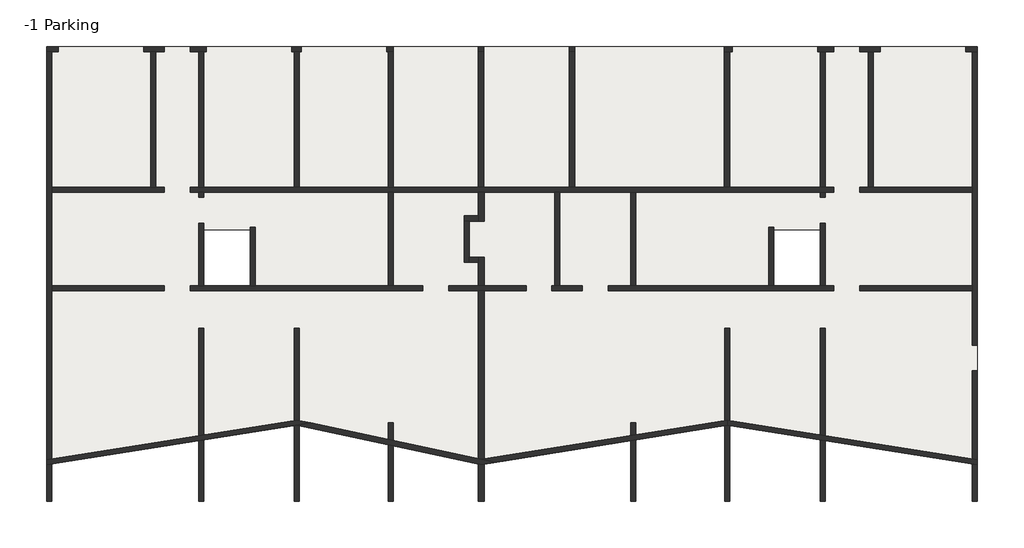
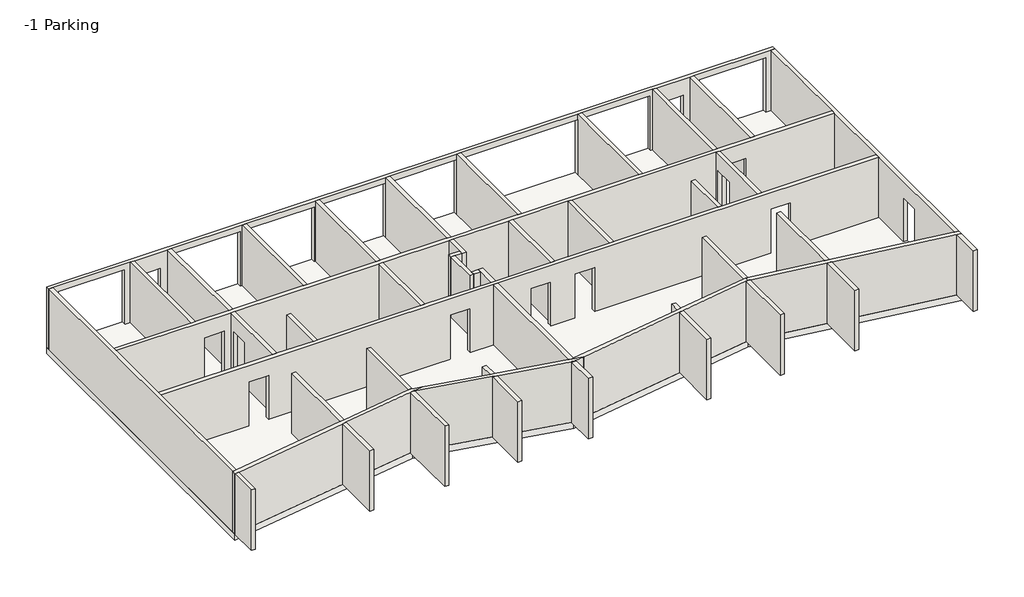
# One storey: 43 walls, 1 slab.
"""IFC4 building model written with IfcOpenShell, lengths in millimetres."""

import ifcopenshell
import ifcopenshell.guid

model = None  # the IFC model being written
_history = None  # IfcOwnerHistory: only IFC2X3 demands one
_inside = {}  # id of a spatial element -> (the spatial element, [elements in it])
_under = {}  # id of a project, library or spatial element -> (it, [spatial elements below it])
_declared = {}  # id of a project -> (the project, [libraries it declares])
_typed = {}  # id of a type object -> (the type object, [elements of that type])
_made_of = {}  # id of a material, layer set ... -> (it, [elements and type objects made of it])


def new_model(schema):
    """Start an empty IFC model of exactly this schema.

    Asked for "IFC4X3", IfcOpenShell would pick the latest addendum, in which some entities
    have other attributes; the version numbers below select the first issue.
    IFC2X3 requires an IfcOwnerHistory on every rooted entity: one is made here for all.
    """
    global model, _history
    if schema == "IFC4X3":
        model = ifcopenshell.file(schema_version=(4, 3, 0, 0))
    else:
        model = ifcopenshell.file(schema=schema)
    _inside.clear()
    _under.clear()
    _declared.clear()
    _typed.clear()
    _made_of.clear()
    _history = None
    if model.schema == "IFC2X3":
        org = make("IfcOrganization", Name="unknown")
        user = make(
            "IfcPersonAndOrganization",
            ThePerson=make("IfcPerson", FamilyName="unknown"),
            TheOrganization=org,
        )
        app = make(
            "IfcApplication",
            ApplicationDeveloper=org,
            Version="unknown",
            ApplicationFullName="unknown",
            ApplicationIdentifier="unknown",
        )
        _history = make(
            "IfcOwnerHistory",
            OwningUser=user,
            OwningApplication=app,
            ChangeAction="ADDED",
            CreationDate=0,
        )
    return model


def make(cls, **values):
    """One entity of the class cls with the attributes given. An attribute that is None is left unset."""
    return model.create_entity(
        cls, **{name: value for name, value in values.items() if value is not None}
    )


def rooted(cls, **values):
    """An entity with a GlobalId (a new one), such as an element, a storey or a relation."""
    return make(cls, GlobalId=ifcopenshell.guid.new(), OwnerHistory=_history, **values)


def si_unit(unit_type, name, prefix=None):
    """IfcSIUnit, for example si_unit("LENGTHUNIT", "METRE", prefix="MILLI")."""
    return make("IfcSIUnit", UnitType=unit_type, Prefix=prefix, Name=name)


def assignment(units):
    """IfcUnitAssignment: the units of a project."""
    return None if units is None else make("IfcUnitAssignment", Units=units)


def point(xyz):
    """IfcCartesianPoint."""
    return None if xyz is None else make("IfcCartesianPoint", Coordinates=xyz)


def direction(xyz):
    """IfcDirection."""
    return None if xyz is None else make("IfcDirection", DirectionRatios=xyz)


def frame(location, z_axis=None, x_axis=None):
    """IfcAxis2Placement3D, a coordinate frame: its origin and axes. An axis left out is left unset."""
    return make(
        "IfcAxis2Placement3D",
        Location=point(location),
        Axis=direction(z_axis),
        RefDirection=direction(x_axis),
    )


def origin():
    """The frame at (0, 0, 0) with its axes left unset."""
    return frame((0.0, 0.0, 0.0))


def place(relative_to, where):
    """IfcLocalPlacement: puts the frame where relative to a parent placement (None: the world)."""
    return make(
        "IfcLocalPlacement", PlacementRelTo=relative_to, RelativePlacement=where
    )


def context(
    kind, dimensions, precision=None, world=None, true_north=None, identifier=None
):
    """IfcGeometricRepresentationContext, for example the 3D "Model" context."""
    return make(
        "IfcGeometricRepresentationContext",
        ContextIdentifier=identifier,
        ContextType=kind,
        CoordinateSpaceDimension=dimensions,
        Precision=precision,
        WorldCoordinateSystem=world,
        TrueNorth=true_north,
    )


def project(units=None, contexts=None):
    """IfcProject with its units and contexts."""
    return rooted(
        "IfcProject",
        Name="project",
        RepresentationContexts=contexts,
        UnitsInContext=assignment(units),
    )


def spatial(cls, under=None, at=None, **own):
    """A site, building, storey or space (cls), placed at a placement, below another one or the project."""
    s = rooted(cls, ObjectPlacement=at, **own)
    if under is not None:
        _under.setdefault(under.id(), (under, []))[1].append(s)
    return s


def polyline(points):
    """IfcPolyline through the points."""
    return make("IfcPolyline", Points=[point(p) for p in points])


def outline(outer, holes=None, kind="AREA"):
    """IfcArbitraryClosedProfileDef: a profile drawn as a closed curve; with holes, ...WithVoids."""
    if holes is None:
        return make("IfcArbitraryClosedProfileDef", ProfileType=kind, OuterCurve=outer)
    return make(
        "IfcArbitraryProfileDefWithVoids",
        ProfileType=kind,
        OuterCurve=outer,
        InnerCurves=holes,
    )


def extrude(swept, where, along, depth):
    """IfcExtrudedAreaSolid: the profile swept, set in the frame where, extruded along a direction by depth."""
    return make(
        "IfcExtrudedAreaSolid",
        SweptArea=swept,
        Position=where,
        ExtrudedDirection=direction(along),
        Depth=depth,
    )


def faces_of(points, faces, orient=None, outer=None):
    """IfcFace entities. A face is a list of loops; a loop is a list of indices into points, from 0.

    orient and outer hold one flag for each loop. By default every Orientation is true, the
    first loop of a face is its IfcFaceOuterBound and the others are IfcFaceBound.
    """
    made = []
    for i, loops in enumerate(faces):
        bounds = []
        for j, loop in enumerate(loops):
            is_outer = j == 0 if outer is None else outer[i][j]
            bounds.append(
                make(
                    "IfcFaceOuterBound" if is_outer else "IfcFaceBound",
                    Bound=make("IfcPolyLoop", Polygon=[points[k] for k in loop]),
                    Orientation=True if orient is None else orient[i][j],
                )
            )
        made.append(make("IfcFace", Bounds=bounds))
    return made


def faceted_brep(points, faces, orient=None, outer=None, voids=None):
    """IfcFacetedBrep: a solid bounded by flat faces; with voids (closed shells), ...WithVoids."""
    shared = [point(p) for p in points]
    hull = make("IfcClosedShell", CfsFaces=faces_of(shared, faces, orient, outer))
    if voids is None:
        return make("IfcFacetedBrep", Outer=hull)
    return make(
        "IfcFacetedBrepWithVoids",
        Outer=hull,
        Voids=[
            make(cls, CfsFaces=faces_of(shared, fs, o, b)) for cls, fs, o, b in voids
        ],
    )


def shape(context_of_items, identifier, shape_type, items):
    """IfcShapeRepresentation: the items that make up one representation, for example the "Body"."""
    return make(
        "IfcShapeRepresentation",
        ContextOfItems=context_of_items,
        RepresentationIdentifier=identifier,
        RepresentationType=shape_type,
        Items=items,
    )


def made_of(thing, what):
    """Note that an element or type object is made of a material, layer set ...; save() writes the relation."""
    if what is not None:
        _made_of.setdefault(what.id(), (what, []))[1].append(thing)
    return thing


def element(
    cls,
    number,
    at=None,
    inside=None,
    cuts=None,
    type_object=None,
    material=None,
    context=None,
    identifier="Body",
    shape_type=None,
    held_by="IfcProductDefinitionShape",
    body=None,
    shapes=None,
    **own,
):
    """One element of the class cls, such as IfcWall. Its Tag is "e" and its number.

    at: its placement. inside: the storey or other place that contains it. cuts: it is an
    opening in that element (IfcRelVoidsElement). A single representation is given by context,
    identifier, shape_type and body (its items); several are given by shapes. held_by: the class
    of the entity that holds the representations. save() writes the other relations.
    """
    e = rooted(cls, Tag="e%d" % number, ObjectPlacement=at, **own)
    if body is not None:
        shapes = [shape(context, identifier, shape_type, body)]
    if shapes is not None:
        e.Representation = make(held_by, Representations=shapes)
    if inside is not None:
        _inside.setdefault(inside.id(), (inside, []))[1].append(e)
    if cuts is not None:
        rooted(
            "IfcRelVoidsElement", RelatingBuildingElement=cuts, RelatedOpeningElement=e
        )
    if type_object is not None:
        _typed.setdefault(type_object.id(), (type_object, []))[1].append(e)
    return made_of(e, material)


def aggregate(whole, parts):
    """IfcRelAggregates: a whole, such as a stair, and the parts it consists of."""
    return rooted("IfcRelAggregates", RelatingObject=whole, RelatedObjects=parts)


def save(model, path):
    """Write the relations noted so far, then the file.

    IfcRelAggregates (storeys below a building ...), IfcRelContainedInSpatialStructure (elements
    in a storey), IfcRelDefinesByType, IfcRelAssociatesMaterial and IfcRelDeclares: one each for
    every whole, place, type object, material and project.
    """
    for whole, parts in _under.values():
        aggregate(whole, parts)
    for where, things in _inside.values():
        rooted(
            "IfcRelContainedInSpatialStructure",
            RelatedElements=things,
            RelatingStructure=where,
        )
    for kind, things in _typed.values():
        rooted("IfcRelDefinesByType", RelatedObjects=things, RelatingType=kind)
    for what, things in _made_of.values():
        rooted("IfcRelAssociatesMaterial", RelatedObjects=things, RelatingMaterial=what)
    for by, libraries in _declared.values():
        rooted("IfcRelDeclares", RelatingContext=by, RelatedDefinitions=libraries)
    model.write(path)


model = new_model("IFC4")

# Units and contexts
model_context = context("Model", 3, world=origin())
ifc_project = project(units=[si_unit("LENGTHUNIT", "METRE", prefix="MILLI")], contexts=[model_context])

# Site, building, storey
site = spatial("IfcSite", under=ifc_project)
building = spatial("IfcBuilding", under=site)
storey = spatial("IfcBuildingStorey", under=building, Name="-1 Parking", Elevation=-3090.0)

# Slab
placement = place(None, origin())
element("IfcSlab", 1, ObjectType="Radier 300 mm", at=placement, inside=storey, context=model_context, shape_type="SweptSolid", body=[
    extrude(outline(polyline([(12589.8223249, -3964.4834406), (12589.8223249, -18617.40208), (3824.8223249, -17225.6110137), (-4790.1776751, -18603.1110137), (-11245.1776751, -17225.6110137), (-20010.1776751, -18617.40208), (-20010.1776751, -3964.4834406), (12589.8223249, -3964.4834406)]), holes=[polyline([(-12895.1776751, -10389.4834406), (-14495.1776751, -10389.4834406), (-14495.1776751, -12334.4834406), (-12895.1776751, -12334.4834406), (-12895.1776751, -10389.4834406)]), polyline([(7074.8223249, -12334.4834406), (7074.8223249, -10389.4834406), (5474.8223249, -10389.4834406), (5474.8223249, -12334.4834406), (7074.8223249, -12334.4834406)])]), frame((0.0, 0.0, -3390.0), z_axis=(0.0, 0.0, 1.0), x_axis=(1.0, 0.0, 0.0)), (0.0, 0.0, 1.0), 300.0),
])

# Walls
element("IfcWall", 2, at=placement, inside=storey, context=model_context, shape_type="Brep", body=[
    faceted_brep([(3729.8223249, -4144.4834406, -490.0), (3729.8223249, -4144.4834406, -3090.0), (3909.8223249, -4144.4834406, -3090.0), (3999.8223249, -4144.4834406, -3090.0), (3999.8223249, -4144.4834406, -490.0), (6994.8223249, -4144.4834406, -490.0), (6994.8223249, -4144.4834406, -3090.0), (7084.8223249, -4144.4834406, -3090.0), (7264.8223249, -4144.4834406, -3090.0), (7564.8223249, -4144.4834406, -3090.0), (7564.8223249, -4144.4834406, -990.0), (8464.8223249, -4144.4834406, -990.0), (8464.8223249, -4144.4834406, -3090.0), (8764.8223249, -4144.4834406, -3090.0), (8944.8223249, -4144.4834406, -3090.0), (9179.8223249, -4144.4834406, -3090.0), (9179.8223249, -4144.4834406, -490.0), (12174.8223249, -4144.4834406, -490.0), (12174.8223249, -4144.4834406, -3090.0), (12409.8223249, -4144.4834406, -3090.0), (12589.8223249, -4144.4834406, -3090.0), (12589.8223249, -4144.4834406, -220.0), (12409.8223249, -4144.4834406, -220.0), (8944.8223249, -4144.4834406, -220.0), (8764.8223249, -4144.4834406, -220.0), (7264.8223249, -4144.4834406, -220.0), (7084.8223249, -4144.4834406, -220.0), (3909.8223249, -4144.4834406, -220.0), (3729.8223249, -4144.4834406, -220.0), (-1520.1776751, -4144.4834406, -220.0), (-1700.1776751, -4144.4834406, -220.0), (-4695.1776751, -4144.4834406, -220.0), (-4885.1776751, -4144.4834406, -220.0), (-7865.1776751, -4144.4834406, -220.0), (-8045.1776751, -4144.4834406, -220.0), (-11155.1776751, -4144.4834406, -220.0), (-11335.1776751, -4144.4834406, -220.0), (-14505.1776751, -4144.4834406, -220.0), (-14685.1776751, -4144.4834406, -220.0), (-16185.1776751, -4144.4834406, -220.0), (-16365.1776751, -4144.4834406, -220.0), (-19830.1776751, -4144.4834406, -220.0), (-20010.1776751, -4144.4834406, -220.0), (-20010.1776751, -4144.4834406, -3090.0), (-19830.1776751, -4144.4834406, -3090.0), (-19595.1776751, -4144.4834406, -3090.0), (-19595.1776751, -4144.4834406, -490.0), (-16600.1776751, -4144.4834406, -490.0), (-16600.1776751, -4144.4834406, -3090.0), (-16365.1776751, -4144.4834406, -3090.0), (-16185.1776751, -4144.4834406, -3090.0), (-15885.1776751, -4144.4834406, -3090.0), (-15885.1776751, -4144.4834406, -990.0), (-14985.1776751, -4144.4834406, -990.0), (-14985.1776751, -4144.4834406, -3090.0), (-14685.1776751, -4144.4834406, -3090.0), (-14505.1776751, -4144.4834406, -3090.0), (-14417.6776751, -4144.4834406, -3090.0), (-14417.6776751, -4144.4834406, -490.0), (-11422.6776751, -4144.4834406, -490.0), (-11422.6776751, -4144.4834406, -3090.0), (-11335.1776751, -4144.4834406, -3090.0), (-11155.1776751, -4144.4834406, -3090.0), (-11097.6776751, -4144.4834406, -3090.0), (-11097.6776751, -4144.4834406, -490.0), (-8102.6776751, -4144.4834406, -490.0), (-8102.6776751, -4144.4834406, -3090.0), (-8045.1776751, -4144.4834406, -3090.0), (-7865.1776751, -4144.4834406, -3090.0), (-7865.1776751, -4144.4834406, -490.0), (-4885.1776751, -4144.4834406, -490.0), (-4885.1776751, -4144.4834406, -3090.0), (-4695.1776751, -4144.4834406, -3090.0), (-4695.1776751, -4144.4834406, -490.0), (-1700.1776751, -4144.4834406, -490.0), (-1700.1776751, -4144.4834406, -3090.0), (-1520.1776751, -4144.4834406, -3090.0), (-1520.1776751, -4144.4834406, -490.0), (3999.8223249, -3964.4834406, -3090.0), (3729.8223249, -3964.4834406, -3090.0), (3729.8223249, -3964.4834406, -490.0), (-1520.1776751, -3964.4834406, -490.0), (-1520.1776751, -3964.4834406, -3090.0), (-1700.1776751, -3964.4834406, -3090.0), (-1700.1776751, -3964.4834406, -490.0), (-4695.1776751, -3964.4834406, -490.0), (-4695.1776751, -3964.4834406, -3090.0), (-4885.1776751, -3964.4834406, -3090.0), (-4885.1776751, -3964.4834406, -490.0), (-7865.1776751, -3964.4834406, -490.0), (-7865.1776751, -3964.4834406, -3090.0), (-8102.6776751, -3964.4834406, -3090.0), (-8102.6776751, -3964.4834406, -490.0), (-11097.6776751, -3964.4834406, -490.0), (-11097.6776751, -3964.4834406, -3090.0), (-11422.6776751, -3964.4834406, -3090.0), (-11422.6776751, -3964.4834406, -490.0), (-14417.6776751, -3964.4834406, -490.0), (-14417.6776751, -3964.4834406, -3090.0), (-14985.1776751, -3964.4834406, -3090.0), (-14985.1776751, -3964.4834406, -990.0), (-15885.1776751, -3964.4834406, -990.0), (-15885.1776751, -3964.4834406, -3090.0), (-16600.1776751, -3964.4834406, -3090.0), (-16600.1776751, -3964.4834406, -490.0), (-19595.1776751, -3964.4834406, -490.0), (-19595.1776751, -3964.4834406, -3090.0), (-20010.1776751, -3964.4834406, -3090.0), (-20010.1776751, -3964.4834406, -220.0), (12589.8223249, -3964.4834406, -220.0), (12589.8223249, -3964.4834406, -3090.0), (12174.8223249, -3964.4834406, -3090.0), (12174.8223249, -3964.4834406, -490.0), (9179.8223249, -3964.4834406, -490.0), (9179.8223249, -3964.4834406, -3090.0), (8464.8223249, -3964.4834406, -3090.0), (8464.8223249, -3964.4834406, -990.0), (7564.8223249, -3964.4834406, -990.0), (7564.8223249, -3964.4834406, -3090.0), (6994.8223249, -3964.4834406, -3090.0), (6994.8223249, -3964.4834406, -490.0), (3999.8223249, -3964.4834406, -490.0)], [[[0, 1, 2, 3, 4, 5, 6, 7, 8, 9, 10, 11, 12, 13, 14, 15, 16, 17, 18, 19, 20, 21, 22, 23, 24, 25, 26, 27, 28, 29, 30, 31, 32, 33, 34, 35, 36, 37, 38, 39, 40, 41, 42, 43, 44, 45, 46, 47, 48, 49, 50, 51, 52, 53, 54, 55, 56, 57, 58, 59, 60, 61, 62, 63, 64, 65, 66, 67, 68, 69, 70, 71, 72, 73, 74, 75, 76, 77]], [[78, 79, 80, 81, 82, 83, 84, 85, 86, 87, 88, 89, 90, 91, 92, 93, 94, 95, 96, 97, 98, 99, 100, 101, 102, 103, 104, 105, 106, 107, 108, 109, 110, 111, 112, 113, 114, 115, 116, 117, 118, 119, 120, 121]], [[111, 110, 20, 19, 18]], [[115, 114, 15, 14, 13, 12]], [[119, 118, 9, 8, 7, 6]], [[87, 86, 72, 71]], [[91, 90, 68, 67, 66]], [[95, 94, 63, 62, 61, 60]], [[99, 98, 57, 56, 55, 54]], [[103, 102, 51, 50, 49, 48]], [[107, 106, 45, 44, 43]], [[3, 2, 1, 79, 78]], [[76, 75, 83, 82]], [[43, 42, 108, 107]], [[21, 20, 110, 109]], [[42, 41, 40, 39, 38, 37, 36, 35, 34, 33, 32, 31, 30, 29, 28, 27, 26, 25, 24, 23, 22, 21, 109, 108]], [[54, 53, 100, 99]], [[52, 51, 102, 101]], [[53, 52, 101, 100]], [[12, 11, 116, 115]], [[10, 9, 118, 117]], [[11, 10, 117, 116]], [[18, 17, 112, 111]], [[16, 15, 114, 113]], [[17, 16, 113, 112]], [[6, 5, 120, 119]], [[4, 3, 78, 121]], [[5, 4, 121, 120]], [[75, 74, 84, 83]], [[73, 72, 86, 85]], [[74, 73, 85, 84]], [[71, 70, 88, 87]], [[69, 68, 90, 89]], [[70, 69, 89, 88]], [[66, 65, 92, 91]], [[64, 63, 94, 93]], [[65, 64, 93, 92]], [[60, 59, 96, 95]], [[58, 57, 98, 97]], [[59, 58, 97, 96]], [[48, 47, 104, 103]], [[46, 45, 106, 105]], [[47, 46, 105, 104]], [[82, 81, 77, 76]], [[80, 79, 1, 0]], [[81, 80, 0, 77]]]),
])
element("IfcWall", 3, at=placement, inside=storey, context=model_context, shape_type="Brep", body=[
    faceted_brep([(8464.8223249, -9074.4834406, -990.0), (8464.8223249, -9074.4834406, -3090.0), (12409.8223249, -9074.4834406, -3090.0), (12409.8223249, -9074.4834406, -220.0), (7264.8223249, -9074.4834406, -220.0), (7084.8223249, -9074.4834406, -220.0), (624.8223249, -9074.4834406, -220.0), (444.8223249, -9074.4834406, -220.0), (-2032.6776751, -9074.4834406, -220.0), (-2212.6776751, -9074.4834406, -220.0), (-4690.1776751, -9074.4834406, -220.0), (-4890.1776751, -9074.4834406, -220.0), (-7865.1776751, -9074.4834406, -220.0), (-8045.1776751, -9074.4834406, -220.0), (-14505.1776751, -9074.4834406, -220.0), (-14685.1776751, -9074.4834406, -220.0), (-19830.1776751, -9074.4834406, -220.0), (-19830.1776751, -9074.4834406, -3090.0), (-15885.1776751, -9074.4834406, -3090.0), (-15885.1776751, -9074.4834406, -990.0), (-14985.1776751, -9074.4834406, -990.0), (-14985.1776751, -9074.4834406, -3090.0), (-14685.1776751, -9074.4834406, -3090.0), (-14505.1776751, -9074.4834406, -3090.0), (-8045.1776751, -9074.4834406, -3090.0), (-7865.1776751, -9074.4834406, -3090.0), (-4890.1776751, -9074.4834406, -3090.0), (-4690.1776751, -9074.4834406, -3090.0), (-2212.6776751, -9074.4834406, -3090.0), (-2032.6776751, -9074.4834406, -3090.0), (444.8223249, -9074.4834406, -3090.0), (624.8223249, -9074.4834406, -3090.0), (7084.8223249, -9074.4834406, -3090.0), (7264.8223249, -9074.4834406, -3090.0), (7564.8223249, -9074.4834406, -3090.0), (7564.8223249, -9074.4834406, -990.0), (12409.8223249, -8894.4834406, -3090.0), (8944.8223249, -8894.4834406, -3090.0), (8764.8223249, -8894.4834406, -3090.0), (8464.8223249, -8894.4834406, -3090.0), (8464.8223249, -8894.4834406, -990.0), (7564.8223249, -8894.4834406, -990.0), (7564.8223249, -8894.4834406, -3090.0), (7264.8223249, -8894.4834406, -3090.0), (7084.8223249, -8894.4834406, -3090.0), (3909.8223249, -8894.4834406, -3090.0), (3729.8223249, -8894.4834406, -3090.0), (-1520.1776751, -8894.4834406, -3090.0), (-1700.1776751, -8894.4834406, -3090.0), (-4695.1776751, -8894.4834406, -3090.0), (-4885.1776751, -8894.4834406, -3090.0), (-7865.1776751, -8894.4834406, -3090.0), (-8045.1776751, -8894.4834406, -3090.0), (-11155.1776751, -8894.4834406, -3090.0), (-11335.1776751, -8894.4834406, -3090.0), (-14505.1776751, -8894.4834406, -3090.0), (-14685.1776751, -8894.4834406, -3090.0), (-14985.1776751, -8894.4834406, -3090.0), (-14985.1776751, -8894.4834406, -990.0), (-15885.1776751, -8894.4834406, -990.0), (-15885.1776751, -8894.4834406, -3090.0), (-16185.1776751, -8894.4834406, -3090.0), (-16365.1776751, -8894.4834406, -3090.0), (-19830.1776751, -8894.4834406, -3090.0), (-19830.1776751, -8894.4834406, -220.0), (-16365.1776751, -8894.4834406, -220.0), (-16185.1776751, -8894.4834406, -220.0), (-14685.1776751, -8894.4834406, -220.0), (-14505.1776751, -8894.4834406, -220.0), (-11335.1776751, -8894.4834406, -220.0), (-11155.1776751, -8894.4834406, -220.0), (-8045.1776751, -8894.4834406, -220.0), (-7865.1776751, -8894.4834406, -220.0), (-4885.1776751, -8894.4834406, -220.0), (-4695.1776751, -8894.4834406, -220.0), (-1700.1776751, -8894.4834406, -220.0), (-1520.1776751, -8894.4834406, -220.0), (3729.8223249, -8894.4834406, -220.0), (3909.8223249, -8894.4834406, -220.0), (7084.8223249, -8894.4834406, -220.0), (7264.8223249, -8894.4834406, -220.0), (8764.8223249, -8894.4834406, -220.0), (8944.8223249, -8894.4834406, -220.0), (12409.8223249, -8894.4834406, -220.0)], [[[0, 1, 2, 3, 4, 5, 6, 7, 8, 9, 10, 11, 12, 13, 14, 15, 16, 17, 18, 19, 20, 21, 22, 23, 24, 25, 26, 27, 28, 29, 30, 31, 32, 33, 34, 35]], [[36, 37, 38, 39, 40, 41, 42, 43, 44, 45, 46, 47, 48, 49, 50, 51, 52, 53, 54, 55, 56, 57, 58, 59, 60, 61, 62, 63, 64, 65, 66, 67, 68, 69, 70, 71, 72, 73, 74, 75, 76, 77, 78, 79, 80, 81, 82, 83]], [[18, 17, 63, 62, 61, 60]], [[2, 1, 39, 38, 37, 36]], [[34, 33, 32, 31, 30, 29, 28, 27, 26, 25, 24, 23, 22, 21, 57, 56, 55, 54, 53, 52, 51, 50, 49, 48, 47, 46, 45, 44, 43, 42]], [[17, 16, 64, 63]], [[3, 2, 36, 83]], [[16, 15, 14, 13, 12, 11, 10, 9, 8, 7, 6, 5, 4, 3, 83, 82, 81, 80, 79, 78, 77, 76, 75, 74, 73, 72, 71, 70, 69, 68, 67, 66, 65, 64]], [[60, 59, 19, 18]], [[58, 57, 21, 20]], [[59, 58, 20, 19]], [[42, 41, 35, 34]], [[40, 39, 1, 0]], [[41, 40, 0, 35]]]),
])
element("IfcWall", 4, at=placement, inside=storey, context=model_context, shape_type="Brep", body=[
    faceted_brep([(7564.8223249, -12344.4834406, -3090.0), (7264.8223249, -12344.4834406, -3090.0), (7084.8223249, -12344.4834406, -3090.0), (5464.8223249, -12344.4834406, -3090.0), (5284.8223249, -12344.4834406, -3090.0), (624.8223249, -12344.4834406, -3090.0), (444.8223249, -12344.4834406, -3090.0), (-343.9276751, -12344.4834406, -3090.0), (-343.9276751, -12344.4834406, -990.0), (-1243.9276751, -12344.4834406, -990.0), (-1243.9276751, -12344.4834406, -3090.0), (-2032.6776751, -12344.4834406, -3090.0), (-2212.6776751, -12344.4834406, -3090.0), (-2312.6776751, -12344.4834406, -3090.0), (-2312.6776751, -12344.4834406, -990.0), (-3212.6776751, -12344.4834406, -990.0), (-3212.6776751, -12344.4834406, -3090.0), (-4690.1776751, -12344.4834406, -3090.0), (-4890.1776751, -12344.4834406, -3090.0), (-5927.6776751, -12344.4834406, -3090.0), (-5927.6776751, -12344.4834406, -990.0), (-6827.6776751, -12344.4834406, -990.0), (-6827.6776751, -12344.4834406, -3090.0), (-7865.1776751, -12344.4834406, -3090.0), (-8045.1776751, -12344.4834406, -3090.0), (-12705.1776751, -12344.4834406, -3090.0), (-12885.1776751, -12344.4834406, -3090.0), (-14505.1776751, -12344.4834406, -3090.0), (-14685.1776751, -12344.4834406, -3090.0), (-14985.1776751, -12344.4834406, -3090.0), (-14985.1776751, -12344.4834406, -990.0), (-15885.1776751, -12344.4834406, -990.0), (-15885.1776751, -12344.4834406, -3090.0), (-19830.1776751, -12344.4834406, -3090.0), (-19830.1776751, -12344.4834406, -220.0), (-14685.1776751, -12344.4834406, -220.0), (-14505.1776751, -12344.4834406, -220.0), (-12885.1776751, -12344.4834406, -220.0), (-12705.1776751, -12344.4834406, -220.0), (-8045.1776751, -12344.4834406, -220.0), (-7865.1776751, -12344.4834406, -220.0), (-4890.1776751, -12344.4834406, -220.0), (-4690.1776751, -12344.4834406, -220.0), (-2212.6776751, -12344.4834406, -220.0), (-2032.6776751, -12344.4834406, -220.0), (444.8223249, -12344.4834406, -220.0), (624.8223249, -12344.4834406, -220.0), (5284.8223249, -12344.4834406, -220.0), (5464.8223249, -12344.4834406, -220.0), (7084.8223249, -12344.4834406, -220.0), (7264.8223249, -12344.4834406, -220.0), (12409.8223249, -12344.4834406, -220.0), (12409.8223249, -12344.4834406, -3090.0), (8464.8223249, -12344.4834406, -3090.0), (8464.8223249, -12344.4834406, -990.0), (7564.8223249, -12344.4834406, -990.0), (-343.9276751, -12524.4834406, -990.0), (-343.9276751, -12524.4834406, -3090.0), (7564.8223249, -12524.4834406, -3090.0), (7564.8223249, -12524.4834406, -990.0), (8464.8223249, -12524.4834406, -990.0), (8464.8223249, -12524.4834406, -3090.0), (12409.8223249, -12524.4834406, -3090.0), (12409.8223249, -12524.4834406, -220.0), (-4690.1776751, -12524.4834406, -220.0), (-4890.1776751, -12524.4834406, -220.0), (-19830.1776751, -12524.4834406, -220.0), (-19830.1776751, -12524.4834406, -3090.0), (-15885.1776751, -12524.4834406, -3090.0), (-15885.1776751, -12524.4834406, -990.0), (-14985.1776751, -12524.4834406, -990.0), (-14985.1776751, -12524.4834406, -3090.0), (-6827.6776751, -12524.4834406, -3090.0), (-6827.6776751, -12524.4834406, -990.0), (-5927.6776751, -12524.4834406, -990.0), (-5927.6776751, -12524.4834406, -3090.0), (-4890.1776751, -12524.4834406, -3090.0), (-4690.1776751, -12524.4834406, -3090.0), (-3212.6776751, -12524.4834406, -3090.0), (-3212.6776751, -12524.4834406, -990.0), (-2312.6776751, -12524.4834406, -990.0), (-2312.6776751, -12524.4834406, -3090.0), (-1243.9276751, -12524.4834406, -3090.0), (-1243.9276751, -12524.4834406, -990.0)], [[[0, 1, 2, 3, 4, 5, 6, 7, 8, 9, 10, 11, 12, 13, 14, 15, 16, 17, 18, 19, 20, 21, 22, 23, 24, 25, 26, 27, 28, 29, 30, 31, 32, 33, 34, 35, 36, 37, 38, 39, 40, 41, 42, 43, 44, 45, 46, 47, 48, 49, 50, 51, 52, 53, 54, 55]], [[56, 57, 58, 59, 60, 61, 62, 63, 64, 65, 66, 67, 68, 69, 70, 71, 72, 73, 74, 75, 76, 77, 78, 79, 80, 81, 82, 83]], [[53, 52, 62, 61]], [[68, 67, 33, 32]], [[19, 18, 17, 16, 78, 77, 76, 75]], [[29, 28, 27, 26, 25, 24, 23, 22, 72, 71]], [[82, 81, 13, 12, 11, 10]], [[58, 57, 7, 6, 5, 4, 3, 2, 1, 0]], [[34, 33, 67, 66]], [[52, 51, 63, 62]], [[51, 50, 49, 48, 47, 46, 45, 44, 43, 42, 41, 40, 39, 38, 37, 36, 35, 34, 66, 65, 64, 63]], [[61, 60, 54, 53]], [[59, 58, 0, 55]], [[60, 59, 55, 54]], [[32, 31, 69, 68]], [[30, 29, 71, 70]], [[31, 30, 70, 69]], [[16, 15, 79, 78]], [[14, 13, 81, 80]], [[15, 14, 80, 79]], [[75, 74, 20, 19]], [[73, 72, 22, 21]], [[74, 73, 21, 20]], [[10, 9, 83, 82]], [[8, 7, 57, 56]], [[9, 8, 56, 83]]]),
])
element("IfcWall", 5, at=placement, inside=storey, context=model_context, shape_type="Brep", body=[
    faceted_brep([(-20010.1776751, -4144.4834406, -3090.0), (-20010.1776751, -18435.1469338, -3090.0), (-20010.1776751, -18435.1469338, -220.0), (-20010.1776751, -4144.4834406, -220.0), (-19830.1776751, -4144.4834406, -3090.0), (-19830.1776751, -4144.4834406, -220.0), (-19830.1776751, -8894.4834406, -220.0), (-19830.1776751, -9074.4834406, -220.0), (-19830.1776751, -12344.4834406, -220.0), (-19830.1776751, -12524.4834406, -220.0), (-19830.1776751, -18406.5648012, -220.0), (-19830.1776751, -18406.5648012, -3090.0), (-19830.1776751, -12524.4834406, -3090.0), (-19830.1776751, -12344.4834406, -3090.0), (-19830.1776751, -9074.4834406, -3090.0), (-19830.1776751, -8894.4834406, -3090.0)], [[[0, 1, 2, 3]], [[4, 5, 6, 7, 8, 9, 10, 11, 12, 13, 14, 15]], [[1, 0, 4, 15, 14, 13, 12, 11]], [[0, 3, 5, 4]], [[3, 2, 10, 9, 8, 7, 6, 5]], [[2, 1, 11, 10]]]),
])
element("IfcWall", 6, at=placement, inside=storey, context=model_context, shape_type="Brep", body=[
    faceted_brep([(-20010.1776751, -18617.40208, -3090.0), (-19830.1776751, -18588.8199474, -3090.0), (-14685.1776751, -17771.8473249, -3090.0), (-14505.1776751, -17743.2651923, -3090.0), (-11335.1776751, -17239.90208, -3090.0), (-11247.5928432, -17225.9945173, -3090.0), (-10753.079544, -17147.4709358, -3090.0), (-10753.079544, -17147.4709358, -220.0), (-11247.5928432, -17225.9945173, -220.0), (-11335.1776751, -17239.90208, -220.0), (-14505.1776751, -17743.2651923, -220.0), (-14685.1776751, -17771.8473249, -220.0), (-19830.1776751, -18588.8199474, -220.0), (-20010.1776751, -18617.40208, -220.0), (-20010.1776751, -18435.1469338, -3090.0), (-20010.1776751, -18435.1469338, -220.0), (-19830.1776751, -18406.5648012, -220.0), (-14685.1776751, -17589.5921788, -220.0), (-14505.1776751, -17561.0100462, -220.0), (-11335.1776751, -17057.6469338, -220.0), (-11242.7625071, -17042.9723639, -220.0), (-11242.7625071, -17042.9723639, -3090.0), (-11335.1776751, -17057.6469338, -3090.0), (-14505.1776751, -17561.0100462, -3090.0), (-14685.1776751, -17589.5921788, -3090.0), (-19830.1776751, -18406.5648012, -3090.0), (-11155.1776751, -17061.6630077, -3090.0), (-11155.1776751, -17061.6630077, -220.0)], [[[0, 1, 2, 3, 4, 5, 6, 7, 8, 9, 10, 11, 12, 13]], [[14, 15, 16, 17, 18, 19, 20, 21, 22, 23, 24, 25]], [[6, 5, 4, 3, 2, 1, 0, 14, 25, 24, 23, 22, 21, 26]], [[7, 6, 26, 21, 20, 27]], [[13, 12, 11, 10, 9, 8, 7, 27, 20, 19, 18, 17, 16, 15]], [[0, 13, 15, 14]]]),
])
element("IfcWall", 7, at=placement, inside=storey, context=model_context, shape_type="Brep", body=[
    faceted_brep([(-11247.5928432, -17225.9945173, -3090.0), (-11155.1776751, -17245.7159571, -3090.0), (-8045.1776751, -17909.3914025, -3090.0), (-7865.1776751, -17947.8034862, -3090.0), (-4890.1776751, -18582.6698688, -3090.0), (-4792.5437321, -18603.5049976, -3090.0), (-4792.5437321, -18603.5049976, -220.0), (-4890.1776751, -18582.6698688, -220.0), (-7865.1776751, -17947.8034862, -220.0), (-8045.1776751, -17909.3914025, -220.0), (-11155.1776751, -17245.7159571, -220.0), (-11247.5928432, -17225.9945173, -220.0), (-10753.079544, -17147.4709358, -3090.0), (-10753.079544, -17147.4709358, -220.0), (-8045.1776751, -17725.3384531, -220.0), (-7865.1776751, -17763.7505368, -220.0), (-4890.1776751, -18398.6169194, -220.0), (-4787.8116182, -18420.4618836, -220.0), (-4299.4954502, -18524.6687808, -220.0), (-4299.4954502, -18524.6687808, -3090.0), (-4787.8116182, -18420.4618836, -3090.0), (-4890.1776751, -18398.6169194, -3090.0), (-7865.1776751, -17763.7505368, -3090.0), (-8045.1776751, -17725.3384531, -3090.0), (-4690.1776751, -18587.1371226, -3090.0), (-4690.1776751, -18587.1371226, -220.0)], [[[0, 1, 2, 3, 4, 5, 6, 7, 8, 9, 10, 11]], [[12, 13, 14, 15, 16, 17, 18, 19, 20, 21, 22, 23]], [[5, 4, 3, 2, 1, 0, 12, 23, 22, 21, 20, 19, 24]], [[0, 11, 13, 12]], [[6, 5, 24, 19, 18, 25]], [[11, 10, 9, 8, 7, 6, 25, 18, 17, 16, 15, 14, 13]]]),
])
element("IfcWall", 8, at=placement, inside=storey, context=model_context, shape_type="Brep", body=[
    faceted_brep([(-4299.4954502, -18524.6687808, -3090.0), (444.8223249, -17766.0735706, -3090.0), (624.8223249, -17737.2923751, -3090.0), (3734.8223249, -17240.0172735, -3090.0), (3824.8714706, -17225.6188175, -3090.0), (3824.8714706, -17225.6188175, -220.0), (3734.8223249, -17240.0172735, -220.0), (624.8223249, -17737.2923751, -220.0), (444.8223249, -17766.0735706, -220.0), (-4299.4954502, -18524.6687808, -220.0), (-4787.8116182, -18420.4618836, -3090.0), (-4787.8116182, -18420.4618836, -220.0), (-4690.1776751, -18404.8506524, -220.0), (444.8223249, -17583.7871004, -220.0), (624.8223249, -17555.0059049, -220.0), (3734.8223249, -17057.7308033, -220.0), (3824.7731791, -17043.3480637, -220.0), (3824.7731791, -17043.3480637, -3090.0), (3734.8223249, -17057.7308033, -3090.0), (624.8223249, -17555.0059049, -3090.0), (444.8223249, -17583.7871004, -3090.0), (-4690.1776751, -18404.8506524, -3090.0)], [[[0, 1, 2, 3, 4, 5, 6, 7, 8, 9]], [[10, 11, 12, 13, 14, 15, 16, 17, 18, 19, 20, 21]], [[4, 3, 2, 1, 0, 10, 21, 20, 19, 18, 17]], [[0, 9, 11, 10]], [[5, 4, 17, 16]], [[9, 8, 7, 6, 5, 16, 15, 14, 13, 12, 11]]]),
])
element("IfcWall", 9, at=placement, inside=storey, context=model_context, shape_type="Brep", body=[
    faceted_brep([(3824.8714706, -17225.6188175, -3090.0), (3914.8223249, -17239.90208, -3090.0), (7084.8223249, -17743.2651923, -3090.0), (7264.8223249, -17771.8473249, -3090.0), (12409.8223249, -18588.8199474, -3090.0), (12589.8223249, -18617.40208, -3090.0), (12589.8223249, -18617.40208, -220.0), (12409.8223249, -18588.8199474, -220.0), (7264.8223249, -17771.8473249, -220.0), (7084.8223249, -17743.2651923, -220.0), (3914.8223249, -17239.90208, -220.0), (3824.8714706, -17225.6188175, -220.0), (3824.7731791, -17043.3480637, -3090.0), (3824.7731791, -17043.3480637, -220.0), (3914.8223249, -17057.6469338, -220.0), (7084.8223249, -17561.0100462, -220.0), (7264.8223249, -17589.5921788, -220.0), (12409.8223249, -18406.5648012, -220.0), (12589.8223249, -18435.1469338, -220.0), (12589.8223249, -18435.1469338, -3090.0), (12409.8223249, -18406.5648012, -3090.0), (7264.8223249, -17589.5921788, -3090.0), (7084.8223249, -17561.0100462, -3090.0), (3914.8223249, -17057.6469338, -3090.0)], [[[0, 1, 2, 3, 4, 5, 6, 7, 8, 9, 10, 11]], [[12, 13, 14, 15, 16, 17, 18, 19, 20, 21, 22, 23]], [[5, 4, 3, 2, 1, 0, 12, 23, 22, 21, 20, 19]], [[0, 11, 13, 12]], [[11, 10, 9, 8, 7, 6, 18, 17, 16, 15, 14, 13]], [[6, 5, 19, 18]]]),
])
element("IfcWall", 10, at=placement, inside=storey, context=model_context, shape_type="Brep", body=[
    faceted_brep([(12589.8223249, -18435.1469338, -3090.0), (12589.8223249, -15324.4834406, -3090.0), (12589.8223249, -15324.4834406, -990.0), (12589.8223249, -14424.4834406, -990.0), (12589.8223249, -14424.4834406, -3090.0), (12589.8223249, -4144.4834406, -3090.0), (12589.8223249, -4144.4834406, -220.0), (12589.8223249, -18435.1469338, -220.0), (12409.8223249, -15324.4834406, -990.0), (12409.8223249, -15324.4834406, -3090.0), (12409.8223249, -18406.5648012, -3090.0), (12409.8223249, -18406.5648012, -220.0), (12409.8223249, -12524.4834406, -220.0), (12409.8223249, -12344.4834406, -220.0), (12409.8223249, -9074.4834406, -220.0), (12409.8223249, -8894.4834406, -220.0), (12409.8223249, -4144.4834406, -220.0), (12409.8223249, -4144.4834406, -3090.0), (12409.8223249, -8894.4834406, -3090.0), (12409.8223249, -9074.4834406, -3090.0), (12409.8223249, -12344.4834406, -3090.0), (12409.8223249, -12524.4834406, -3090.0), (12409.8223249, -14424.4834406, -3090.0), (12409.8223249, -14424.4834406, -990.0)], [[[0, 1, 2, 3, 4, 5, 6, 7]], [[8, 9, 10, 11, 12, 13, 14, 15, 16, 17, 18, 19, 20, 21, 22, 23]], [[10, 9, 1, 0]], [[22, 21, 20, 19, 18, 17, 5, 4]], [[6, 5, 17, 16]], [[7, 6, 16, 15, 14, 13, 12, 11]], [[0, 7, 11, 10]], [[4, 3, 23, 22]], [[2, 1, 9, 8]], [[3, 2, 8, 23]]]),
])
element("IfcWall", 11, at=placement, inside=storey, context=model_context, shape_type="SweptSolid", body=[
    extrude(outline(polyline([(-11335.1776751, -8894.4834406), (-11335.1776751, -4144.4834406), (-11155.1776751, -4144.4834406), (-11155.1776751, -8894.4834406), (-11335.1776751, -8894.4834406)])), frame((0.0, 0.0, -3090.0), z_axis=(0.0, 0.0, 1.0), x_axis=(1.0, 0.0, 0.0)), (0.0, 0.0, 1.0), 2870.0),
])
element("IfcWall", 12, at=placement, inside=storey, context=model_context, shape_type="SweptSolid", body=[
    extrude(outline(polyline([(3729.8223249, -8894.4834406), (3729.8223249, -4144.4834406), (3909.8223249, -4144.4834406), (3909.8223249, -8894.4834406), (3729.8223249, -8894.4834406)])), frame((0.0, 0.0, -3090.0), z_axis=(0.0, 0.0, 1.0), x_axis=(1.0, 0.0, 0.0)), (0.0, 0.0, 1.0), 2870.0),
])
element("IfcWall", 13, at=placement, inside=storey, context=model_context, shape_type="SweptSolid", body=[
    extrude(outline(polyline([(-4885.1776751, -8894.4834406), (-4885.1776751, -4144.4834406), (-4695.1776751, -4144.4834406), (-4695.1776751, -8894.4834406), (-4885.1776751, -8894.4834406)])), frame((0.0, 0.0, -3090.0), z_axis=(0.0, 0.0, 1.0), x_axis=(1.0, 0.0, 0.0)), (0.0, 0.0, 1.0), 2870.0),
])
element("IfcWall", 14, at=placement, inside=storey, context=model_context, shape_type="SweptSolid", body=[
    extrude(outline(polyline([(-4890.1776751, -18398.6169194), (-4890.1776751, -12524.4834406), (-4690.1776751, -12524.4834406), (-4690.1776751, -18404.8506524), (-4787.8116182, -18420.4618836), (-4890.1776751, -18398.6169194)])), frame((0.0, 0.0, -3090.0), z_axis=(0.0, 0.0, 1.0), x_axis=(1.0, 0.0, 0.0)), (0.0, 0.0, 1.0), 2870.0),
])
element("IfcWall", 15, at=placement, inside=storey, context=model_context, shape_type="Brep", body=[
    faceted_brep([(-4690.1776751, -12344.4834406, -3090.0), (-4690.1776751, -11344.4834406, -3090.0), (-4690.1776751, -11344.4834406, -220.0), (-4690.1776751, -12344.4834406, -220.0), (-4890.1776751, -12344.4834406, -3090.0), (-4890.1776751, -12344.4834406, -220.0), (-4890.1776751, -11524.4834406, -220.0), (-4890.1776751, -11344.4834406, -220.0), (-4890.1776751, -11344.4834406, -3090.0), (-4890.1776751, -11524.4834406, -3090.0)], [[[0, 1, 2, 3]], [[4, 5, 6, 7, 8, 9]], [[1, 0, 4, 9, 8]], [[0, 3, 5, 4]], [[2, 1, 8, 7]], [[3, 2, 7, 6, 5]]]),
])
element("IfcWall", 16, at=placement, inside=storey, context=model_context, shape_type="Brep", body=[
    faceted_brep([(-4890.1776751, -9074.4834406, -3090.0), (-4890.1776751, -9894.4834406, -3090.0), (-4890.1776751, -10074.4834406, -3090.0), (-4890.1776751, -10074.4834406, -220.0), (-4890.1776751, -9894.4834406, -220.0), (-4890.1776751, -9074.4834406, -220.0), (-4690.1776751, -9074.4834406, -3090.0), (-4690.1776751, -9074.4834406, -220.0), (-4690.1776751, -10074.4834406, -220.0), (-4690.1776751, -10074.4834406, -3090.0)], [[[0, 1, 2, 3, 4, 5]], [[6, 7, 8, 9]], [[2, 1, 0, 6, 9]], [[0, 5, 7, 6]], [[3, 2, 9, 8]], [[5, 4, 3, 8, 7]]]),
])
element("IfcWall", 17, at=placement, inside=storey, context=model_context, shape_type="Brep", body=[
    faceted_brep([(-4890.1776751, -9894.4834406, -3090.0), (-5380.1776751, -9894.4834406, -3090.0), (-5380.1776751, -9894.4834406, -220.0), (-4890.1776751, -9894.4834406, -220.0), (-4890.1776751, -10074.4834406, -3090.0), (-4890.1776751, -10074.4834406, -220.0), (-5200.1776751, -10074.4834406, -220.0), (-5380.1776751, -10074.4834406, -220.0), (-5380.1776751, -10074.4834406, -3090.0), (-5200.1776751, -10074.4834406, -3090.0)], [[[0, 1, 2, 3]], [[4, 5, 6, 7, 8, 9]], [[1, 0, 4, 9, 8]], [[0, 3, 5, 4]], [[2, 1, 8, 7]], [[3, 2, 7, 6, 5]]]),
])
element("IfcWall", 18, at=placement, inside=storey, context=model_context, shape_type="Brep", body=[
    faceted_brep([(-5200.1776751, -11524.4834406, -3090.0), (-5200.1776751, -11344.4834406, -3090.0), (-5200.1776751, -10074.4834406, -3090.0), (-5200.1776751, -10074.4834406, -220.0), (-5200.1776751, -11344.4834406, -220.0), (-5200.1776751, -11524.4834406, -220.0), (-5380.1776751, -11524.4834406, -3090.0), (-5380.1776751, -11524.4834406, -220.0), (-5380.1776751, -10074.4834406, -220.0), (-5380.1776751, -10074.4834406, -3090.0)], [[[0, 1, 2, 3, 4, 5]], [[6, 7, 8, 9]], [[2, 1, 0, 6, 9]], [[3, 2, 9, 8]], [[0, 5, 7, 6]], [[5, 4, 3, 8, 7]]]),
])
element("IfcWall", 19, at=placement, inside=storey, context=model_context, shape_type="SweptSolid", body=[
    extrude(outline(polyline([(-4890.1776751, -11524.4834406), (-5200.1776751, -11524.4834406), (-5200.1776751, -11344.4834406), (-4890.1776751, -11344.4834406), (-4890.1776751, -11524.4834406)])), frame((0.0, 0.0, -3090.0), z_axis=(0.0, 0.0, 1.0), x_axis=(1.0, 0.0, 0.0)), (0.0, 0.0, 1.0), 2870.0),
])
element("IfcWall", 20, at=placement, inside=storey, context=model_context, shape_type="SweptSolid", body=[
    extrude(outline(polyline([(-14505.1776751, -13824.4834406), (-14505.1776751, -17561.0100462), (-14685.1776751, -17589.5921788), (-14685.1776751, -13824.4834406), (-14505.1776751, -13824.4834406)])), frame((0.0, 0.0, -3090.0), z_axis=(0.0, 0.0, 1.0), x_axis=(1.0, 0.0, 0.0)), (0.0, 0.0, 1.0), 2870.0),
])
element("IfcWall", 21, at=placement, inside=storey, context=model_context, shape_type="SweptSolid", body=[
    extrude(outline(polyline([(-14685.1776751, -4144.4834406), (-14505.1776751, -4144.4834406), (-14505.1776751, -8894.4834406), (-14685.1776751, -8894.4834406), (-14685.1776751, -4144.4834406)])), frame((0.0, 0.0, -3090.0), z_axis=(0.0, 0.0, 1.0), x_axis=(1.0, 0.0, 0.0)), (0.0, 0.0, 1.0), 2870.0),
    extrude(outline(polyline([(-12344.4834406, -3090.0), (-12344.4834406, -220.0), (-9074.4834406, -220.0), (-9074.4834406, -3090.0), (-9244.4834406, -3090.0), (-9244.4834406, -990.0), (-10144.4834406, -990.0), (-10144.4834406, -3090.0), (-12344.4834406, -3090.0)])), frame((-14685.1776751, 0.0, 0.0), z_axis=(1.0, 0.0, 0.0), x_axis=(0.0, 1.0, 0.0)), (0.0, 0.0, 1.0), 180.0),
])
element("IfcWall", 22, at=placement, inside=storey, context=model_context, shape_type="Brep", body=[
    faceted_brep([(-7865.1776751, -19889.4834406, -3090.0), (-7865.1776751, -17947.8034862, -3090.0), (-7865.1776751, -17947.8034862, -220.0), (-7865.1776751, -17958.02865, -220.0), (-7865.1776751, -19889.4834406, -220.0), (-8045.1776751, -19889.4834406, -3090.0), (-8045.1776751, -19889.4834406, -220.0), (-8045.1776751, -17919.6165663, -220.0), (-8045.1776751, -17909.3914025, -220.0), (-8045.1776751, -17909.3914025, -3090.0)], [[[0, 1, 2, 3, 4]], [[5, 6, 7, 8, 9]], [[1, 0, 5, 9]], [[0, 4, 6, 5]], [[2, 1, 9, 8]], [[4, 3, 7, 6]], [[3, 2, 8, 7]]]),
])
element("IfcWall", 23, at=placement, inside=storey, context=model_context, shape_type="Brep", body=[
    faceted_brep([(-7865.1776751, -12344.4834406, -220.0), (-7865.1776751, -12344.4834406, -3090.0), (-7865.1776751, -9074.4834406, -3090.0), (-7865.1776751, -9074.4834406, -220.0), (-8045.1776751, -12344.4834406, -3090.0), (-8045.1776751, -12344.4834406, -220.0), (-8045.1776751, -9074.4834406, -220.0), (-8045.1776751, -9074.4834406, -3090.0)], [[[0, 1, 2, 3]], [[4, 5, 6, 7]], [[1, 4, 7, 2]], [[1, 0, 5, 4]], [[3, 2, 7, 6]], [[5, 0, 3, 6]]]),
    faceted_brep([(-7865.1776751, -4144.4834406, -3090.0), (-7865.1776751, -4144.4834406, -490.0), (-7865.1776751, -4144.4834406, -220.0), (-7865.1776751, -8894.4834406, -220.0), (-7865.1776751, -8894.4834406, -3090.0), (-8045.1776751, -4144.4834406, -220.0), (-8045.1776751, -4144.4834406, -3090.0), (-8045.1776751, -8894.4834406, -3090.0), (-8045.1776751, -8894.4834406, -220.0)], [[[0, 1, 2, 3, 4]], [[5, 6, 7, 8]], [[6, 0, 4, 7]], [[2, 1, 0, 6, 5]], [[4, 3, 8, 7]], [[2, 5, 8, 3]]]),
])
element("IfcWall", 24, at=placement, inside=storey, context=model_context, shape_type="SweptSolid", body=[
    extrude(outline(polyline([(624.8223249, -9074.4834406), (624.8223249, -12344.4834406), (444.8223249, -12344.4834406), (444.8223249, -9074.4834406), (624.8223249, -9074.4834406)])), frame((0.0, 0.0, -3090.0), z_axis=(0.0, 0.0, 1.0), x_axis=(1.0, 0.0, 0.0)), (0.0, 0.0, 1.0), 2870.0),
])
element("IfcWall", 25, at=placement, inside=storey, context=model_context, shape_type="SweptSolid", body=[
    extrude(outline(polyline([(7264.8223249, -13824.4834406), (7264.8223249, -17589.5921788), (7084.8223249, -17561.0100462), (7084.8223249, -13824.4834406), (7264.8223249, -13824.4834406)])), frame((0.0, 0.0, -3090.0), z_axis=(0.0, 0.0, 1.0), x_axis=(1.0, 0.0, 0.0)), (0.0, 0.0, 1.0), 2870.0),
])
element("IfcWall", 26, at=placement, inside=storey, context=model_context, shape_type="SweptSolid", body=[
    extrude(outline(polyline([(7084.8223249, -4144.4834406), (7264.8223249, -4144.4834406), (7264.8223249, -8894.4834406), (7084.8223249, -8894.4834406), (7084.8223249, -4144.4834406)])), frame((0.0, 0.0, -3090.0), z_axis=(0.0, 0.0, 1.0), x_axis=(1.0, 0.0, 0.0)), (0.0, 0.0, 1.0), 2870.0),
    extrude(outline(polyline([(-12344.4834406, -3090.0), (-12344.4834406, -220.0), (-9074.4834406, -220.0), (-9074.4834406, -3090.0), (-9244.4834406, -3090.0), (-9244.4834406, -990.0), (-10144.4834406, -990.0), (-10144.4834406, -3090.0), (-12344.4834406, -3090.0)])), frame((7084.8223249, 0.0, 0.0), z_axis=(1.0, 0.0, 0.0), x_axis=(0.0, 1.0, 0.0)), (0.0, 0.0, 1.0), 180.0),
])
element("IfcWall", 27, at=placement, inside=storey, context=model_context, shape_type="SweptSolid", body=[
    extrude(outline(polyline([(8944.8223249, -4144.4834406), (8944.8223249, -8894.4834406), (8764.8223249, -8894.4834406), (8764.8223249, -4144.4834406), (8944.8223249, -4144.4834406)])), frame((0.0, 0.0, -3090.0), z_axis=(0.0, 0.0, 1.0), x_axis=(1.0, 0.0, 0.0)), (0.0, 0.0, 1.0), 2870.0),
])
element("IfcWall", 28, at=placement, inside=storey, context=model_context, shape_type="Brep", body=[
    faceted_brep([(624.8223249, -19889.4834406, -3090.0), (624.8223249, -17737.2923751, -3090.0), (624.8223249, -17737.2923751, -220.0), (624.8223249, -17747.4194012, -220.0), (624.8223249, -19889.4834406, -220.0), (444.8223249, -19889.4834406, -3090.0), (444.8223249, -19889.4834406, -220.0), (444.8223249, -17776.2005968, -220.0), (444.8223249, -17766.0735706, -220.0), (444.8223249, -17766.0735706, -3090.0)], [[[0, 1, 2, 3, 4]], [[5, 6, 7, 8, 9]], [[1, 0, 5, 9]], [[0, 4, 6, 5]], [[2, 1, 9, 8]], [[4, 3, 7, 6]], [[3, 2, 8, 7]]]),
])
element("IfcWall", 29, at=placement, inside=storey, context=model_context, shape_type="SweptSolid", body=[
    extrude(outline(polyline([(444.8223249, -17583.7871004), (444.8223249, -17134.4834406), (624.8223249, -17134.4834406), (624.8223249, -17555.0059049), (444.8223249, -17583.7871004)])), frame((0.0, 0.0, -3090.0), z_axis=(0.0, 0.0, 1.0), x_axis=(1.0, 0.0, 0.0)), (0.0, 0.0, 1.0), 2870.0),
])
element("IfcWall", 30, at=placement, inside=storey, context=model_context, shape_type="SweptSolid", body=[
    extrude(outline(polyline([(-8045.1776751, -17725.3384531), (-8045.1776751, -17134.4834406), (-7865.1776751, -17134.4834406), (-7865.1776751, -17763.7505368), (-8045.1776751, -17725.3384531)])), frame((0.0, 0.0, -3090.0), z_axis=(0.0, 0.0, 1.0), x_axis=(1.0, 0.0, 0.0)), (0.0, 0.0, 1.0), 2870.0),
])
element("IfcWall", 31, at=placement, inside=storey, context=model_context, shape_type="SweptSolid", body=[
    extrude(outline(polyline([(-11155.1776751, -13824.4834406), (-11155.1776751, -17061.6630077), (-11242.7625071, -17042.9723639), (-11335.1776751, -17057.6469338), (-11335.1776751, -13824.4834406), (-11155.1776751, -13824.4834406)])), frame((0.0, 0.0, -3090.0), z_axis=(0.0, 0.0, 1.0), x_axis=(1.0, 0.0, 0.0)), (0.0, 0.0, 1.0), 2870.0),
])
element("IfcWall", 32, at=placement, inside=storey, context=model_context, shape_type="SweptSolid", body=[
    extrude(outline(polyline([(3914.8223249, -13824.4834406), (3914.8223249, -17057.6469338), (3824.7731791, -17043.3480637), (3734.8223249, -17057.7308033), (3734.8223249, -13824.4834406), (3914.8223249, -13824.4834406)])), frame((0.0, 0.0, -3090.0), z_axis=(0.0, 0.0, 1.0), x_axis=(1.0, 0.0, 0.0)), (0.0, 0.0, 1.0), 2870.0),
])
element("IfcWall", 33, at=placement, inside=storey, context=model_context, shape_type="SweptSolid", body=[
    extrude(outline(polyline([(-12705.1776751, -10289.4834406), (-12705.1776751, -12344.4834406), (-12885.1776751, -12344.4834406), (-12885.1776751, -10289.4834406), (-12705.1776751, -10289.4834406)])), frame((0.0, 0.0, -3090.0), z_axis=(0.0, 0.0, 1.0), x_axis=(1.0, 0.0, 0.0)), (0.0, 0.0, 1.0), 2870.0),
])
element("IfcWall", 34, at=placement, inside=storey, context=model_context, shape_type="SweptSolid", body=[
    extrude(outline(polyline([(5464.8223249, -10289.4834406), (5464.8223249, -12344.4834406), (5284.8223249, -12344.4834406), (5284.8223249, -10289.4834406), (5464.8223249, -10289.4834406)])), frame((0.0, 0.0, -3090.0), z_axis=(0.0, 0.0, 1.0), x_axis=(1.0, 0.0, 0.0)), (0.0, 0.0, 1.0), 2870.0),
])
element("IfcWall", 35, at=placement, inside=storey, context=model_context, shape_type="SweptSolid", body=[
    extrude(outline(polyline([(-2212.6776751, -12344.4834406), (-2212.6776751, -9074.4834406), (-2032.6776751, -9074.4834406), (-2032.6776751, -12344.4834406), (-2212.6776751, -12344.4834406)])), frame((0.0, 0.0, -3090.0), z_axis=(0.0, 0.0, 1.0), x_axis=(1.0, 0.0, 0.0)), (0.0, 0.0, 1.0), 2870.0),
])
element("IfcWall", 36, at=placement, inside=storey, context=model_context, shape_type="SweptSolid", body=[
    extrude(outline(polyline([(-1520.1776751, -4144.4834406), (-1520.1776751, -8894.4834406), (-1700.1776751, -8894.4834406), (-1700.1776751, -4144.4834406), (-1520.1776751, -4144.4834406)])), frame((0.0, 0.0, -3090.0), z_axis=(0.0, 0.0, 1.0), x_axis=(1.0, 0.0, 0.0)), (0.0, 0.0, 1.0), 2870.0),
])
element("IfcWall", 37, at=placement, inside=storey, context=model_context, shape_type="SweptSolid", body=[
    extrude(outline(polyline([(-16185.1776751, -4144.4834406), (-16185.1776751, -8894.4834406), (-16365.1776751, -8894.4834406), (-16365.1776751, -4144.4834406), (-16185.1776751, -4144.4834406)])), frame((0.0, 0.0, -3090.0), z_axis=(0.0, 0.0, 1.0), x_axis=(1.0, 0.0, 0.0)), (0.0, 0.0, 1.0), 2870.0),
])
element("IfcWall", 38, at=placement, inside=storey, context=model_context, shape_type="Brep", body=[
    faceted_brep([(-14685.1776751, -17771.8473249, -3090.0), (-14685.1776751, -19889.4834406, -3090.0), (-14685.1776751, -19889.4834406, -220.0), (-14685.1776751, -17781.9726108, -220.0), (-14685.1776751, -17771.8473249, -220.0), (-14505.1776751, -17743.2651923, -3090.0), (-14505.1776751, -17743.2651923, -220.0), (-14505.1776751, -17753.3904782, -220.0), (-14505.1776751, -19889.4834406, -220.0), (-14505.1776751, -19889.4834406, -3090.0)], [[[0, 1, 2, 3, 4]], [[5, 6, 7, 8, 9]], [[1, 0, 5, 9]], [[2, 1, 9, 8]], [[0, 4, 6, 5]], [[3, 2, 8, 7]], [[4, 3, 7, 6]]]),
])
element("IfcWall", 39, at=placement, inside=storey, context=model_context, shape_type="Brep", body=[
    faceted_brep([(-11335.1776751, -17239.90208, -3090.0), (-11335.1776751, -19889.4834406, -3090.0), (-11335.1776751, -19889.4834406, -220.0), (-11335.1776751, -17239.90208, -220.0), (-11155.1776751, -17245.7159571, -3090.0), (-11155.1776751, -17245.7159571, -220.0), (-11155.1776751, -17255.941121, -220.0), (-11155.1776751, -19889.4834406, -220.0), (-11155.1776751, -19889.4834406, -3090.0), (-11247.5928432, -17225.9945173, -3090.0), (-11275.0658042, -17230.3569385, -220.0), (-11247.5928432, -17225.9945173, -220.0), (-11247.8611952, -17236.1624147, -220.0)], [[[0, 1, 2, 3]], [[4, 5, 6, 7, 8]], [[1, 0, 9, 4, 8]], [[2, 1, 8, 7]], [[0, 3, 10, 11, 9]], [[11, 5, 4, 9]], [[3, 2, 7, 6, 12, 10]], [[6, 5, 11, 10, 12]]]),
])
element("IfcWall", 40, at=placement, inside=storey, context=model_context, shape_type="Brep", body=[
    faceted_brep([(3734.8223249, -17240.0172735, -3090.0), (3734.8223249, -19889.4834406, -3090.0), (3734.8223249, -19889.4834406, -220.0), (3734.8223249, -17250.1442996, -220.0), (3734.8223249, -17240.0172735, -220.0), (3914.8223249, -17239.90208, -3090.0), (3914.8223249, -17239.90208, -220.0), (3914.8223249, -17250.0273659, -220.0), (3914.8223249, -19889.4834406, -220.0), (3914.8223249, -19889.4834406, -3090.0), (3824.8714706, -17225.6188175, -3090.0), (3793.0994044, -17230.6990289, -220.0), (3824.8714706, -17225.6188175, -220.0), (3824.8769313, -17235.7449705, -220.0)], [[[0, 1, 2, 3, 4]], [[5, 6, 7, 8, 9]], [[1, 0, 10, 5, 9]], [[2, 1, 9, 8]], [[0, 4, 11, 12, 10]], [[12, 6, 5, 10]], [[3, 2, 8, 7, 13]], [[7, 6, 12, 11, 4, 3, 13]]]),
])
element("IfcWall", 41, at=placement, inside=storey, context=model_context, shape_type="Brep", body=[
    faceted_brep([(7084.8223249, -17743.2651923, -3090.0), (7084.8223249, -19889.4834406, -3090.0), (7084.8223249, -19889.4834406, -220.0), (7084.8223249, -17753.3904782, -220.0), (7084.8223249, -17743.2651923, -220.0), (7264.8223249, -17771.8473249, -3090.0), (7264.8223249, -17771.8473249, -220.0), (7264.8223249, -17781.9726108, -220.0), (7264.8223249, -19889.4834406, -220.0), (7264.8223249, -19889.4834406, -3090.0)], [[[0, 1, 2, 3, 4]], [[5, 6, 7, 8, 9]], [[1, 0, 5, 9]], [[2, 1, 9, 8]], [[0, 4, 6, 5]], [[3, 2, 8, 7]], [[4, 3, 7, 6]]]),
])
element("IfcWall", 42, at=placement, inside=storey, context=model_context, shape_type="Brep", body=[
    faceted_brep([(-20010.1776751, -18617.40208, -3090.0), (-20010.1776751, -19889.4834406, -3090.0), (-20010.1776751, -19889.4834406, -220.0), (-20010.1776751, -18627.5273659, -220.0), (-20010.1776751, -18617.40208, -220.0), (-19830.1776751, -18588.8199474, -3090.0), (-19830.1776751, -18588.8199474, -220.0), (-19830.1776751, -18598.9452333, -220.0), (-19830.1776751, -19889.4834406, -220.0), (-19830.1776751, -19889.4834406, -3090.0)], [[[0, 1, 2, 3, 4]], [[5, 6, 7, 8, 9]], [[1, 0, 5, 9]], [[2, 1, 9, 8]], [[0, 4, 6, 5]], [[3, 2, 8, 7]], [[4, 3, 7, 6]]]),
])
element("IfcWall", 43, at=placement, inside=storey, context=model_context, shape_type="Brep", body=[
    faceted_brep([(12409.8223249, -18588.8199474, -3090.0), (12409.8223249, -19889.4834406, -3090.0), (12409.8223249, -19889.4834406, -220.0), (12409.8223249, -18598.9452333, -220.0), (12409.8223249, -18588.8199474, -220.0), (12589.8223249, -18617.40208, -3090.0), (12589.8223249, -18617.40208, -220.0), (12589.8223249, -18627.5273659, -220.0), (12589.8223249, -19889.4834406, -220.0), (12589.8223249, -19889.4834406, -3090.0)], [[[0, 1, 2, 3, 4]], [[5, 6, 7, 8, 9]], [[1, 0, 5, 9]], [[2, 1, 9, 8]], [[0, 4, 6, 5]], [[3, 2, 8, 7]], [[4, 3, 7, 6]]]),
])
element("IfcWall", 44, at=placement, inside=storey, context=model_context, shape_type="Brep", body=[
    faceted_brep([(-4890.1776751, -18582.6698688, -3090.0), (-4890.1776751, -19889.4834406, -3090.0), (-4890.1776751, -19889.4834406, -220.0), (-4890.1776751, -18629.2432549, -220.0), (-4890.1776751, -18592.8950327, -220.0), (-4890.1776751, -18582.6698688, -220.0), (-4690.1776751, -18587.1371226, -3090.0), (-4690.1776751, -18587.1371226, -220.0), (-4690.1776751, -18597.2641487, -220.0), (-4690.1776751, -18635.5751256, -220.0), (-4690.1776751, -19889.4834406, -220.0), (-4690.1776751, -19889.4834406, -3090.0), (-4792.5437321, -18603.5049976, -3090.0), (-4792.5437321, -18603.5049976, -220.0), (-4792.8066273, -18613.6740595, -220.0)], [[[0, 1, 2, 3, 4, 5]], [[6, 7, 8, 9, 10, 11]], [[1, 0, 12, 6, 11]], [[2, 1, 11, 10]], [[0, 5, 13, 12]], [[13, 7, 6, 12]], [[4, 3, 14]], [[9, 8, 14]], [[3, 2, 10, 9, 14]], [[5, 4, 14, 8, 7, 13]]]),
])

save(model, "model.ifc")
